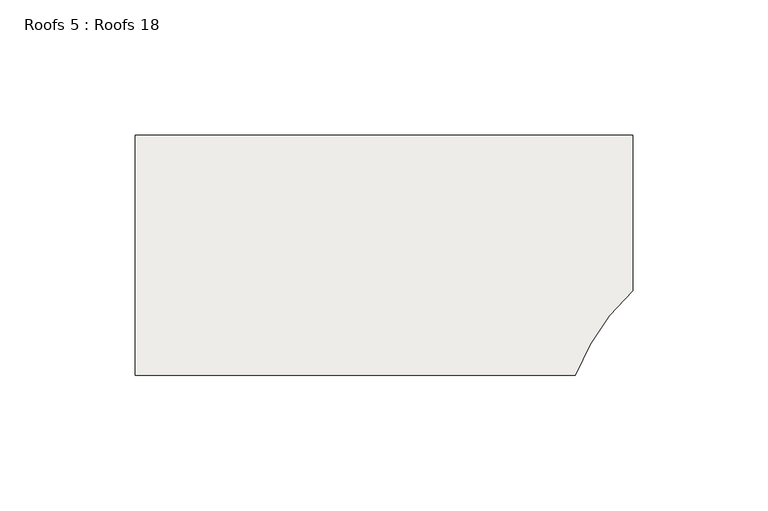
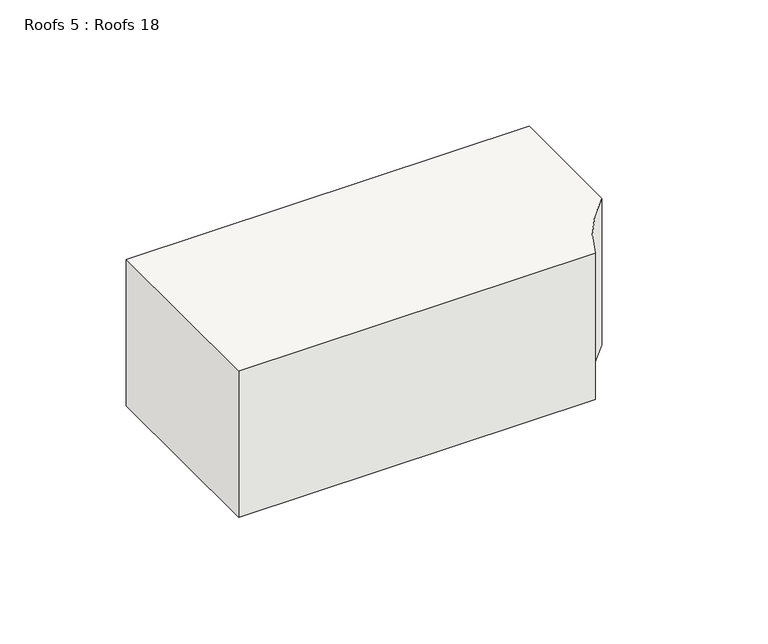
"""IFC4 building model written with IfcOpenShell, lengths in millimetres: roof geometry, Roofs 5 : Roofs 18."""

from ifc_helpers import new_model, si_unit, point, frame, frame_2d, origin, place, context, project, spatial, polyline, circle_curve, trimmed, segment, composite_curve, outline, extrude, source, transform, mapped, element, save


def roofs_5_roofs_18_c328c83d(model_context):
    return source(origin(), model_context, "Body", "SweptSolid", [
        extrude(outline(composite_curve([segment(polyline([(-1702.8476197, -8446.3194693), (-1702.8476197, -8503.8217115)]), True, "CONTINUOUS"), segment(trimmed(circle_curve(frame_2d((-1645.9219868, -8565.3958646)), 83.8564488), [point((-1702.8476197, -8503.8217115))], [point((-1724.1606549, -8535.2194693))], True, "CARTESIAN"), True, "CONTINUOUS"), segment(polyline([(-1724.1606549, -8535.2194693), (-1886.9976197, -8535.2194693), (-1886.9976197, -8446.3194693), (-1702.8476197, -8446.3194693)]), True, "CONTINUOUS")], self_intersect=False)), frame((0.0, 0.0, 154.9710657), z_axis=(0.0, 0.0, 1.0), x_axis=(1.0, 0.0, 0.0)), (0.0, 0.0, 1.0), 70.8274367),
    ])


if __name__ == "__main__":
    model = new_model("IFC4")
    model_context = context("Model", 3, world=origin())
    ifc_project = project(units=[si_unit("LENGTHUNIT", "METRE", prefix="MILLI")], contexts=[model_context])
    site = spatial("IfcSite", under=ifc_project)
    building = spatial("IfcBuilding", under=site)
    placement = place(None, origin())
    roofs_5_roofs_18_shape = roofs_5_roofs_18_c328c83d(model_context)
    element("IfcRoof", 1, ObjectType="Roofs 5 : Roofs 18", at=placement, inside=building, context=model_context, shape_type="MappedRepresentation", body=[
        mapped(roofs_5_roofs_18_shape, transform((0.0, 0.0, 0.0), x_axis=(1.0, 0.0, 0.0), y_axis=(0.0, 1.0, 0.0), z_axis=(0.0, 0.0, 1.0))),
    ])
    save(model, "model.ifc")
